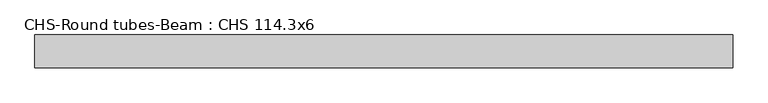
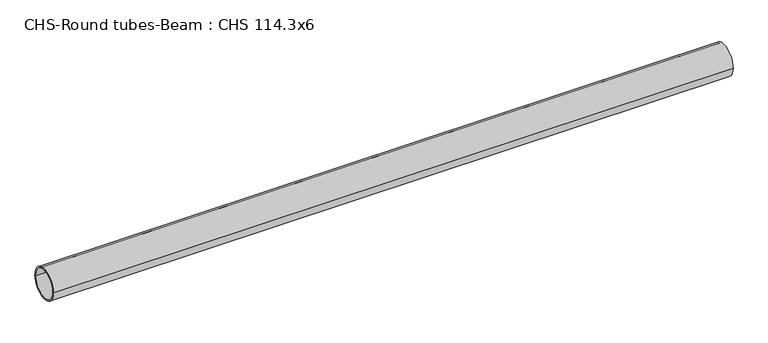
"""IFC4 building model written with IfcOpenShell, lengths in millimetres: beam geometry, CHS-Round tubes-Beam : CHS 114.3x6."""

from ifc_helpers import new_model, si_unit, point, frame, origin, origin_2d, place, context, project, spatial, circle_curve, trimmed, segment, composite_curve, outline, extrude, source, transform, mapped, element, save


def chs_round_tubes_beam_chs_114_3x6_69b16ae2(model_context):
    return source(origin(), model_context, "Body", "SweptSolid", [
        extrude(outline(composite_curve([segment(trimmed(circle_curve(origin_2d(), 57.15), [point((57.15, 0.0))], [point((-57.15, 0.0))], False, "CARTESIAN"), True, "CONTINUOUS"), segment(trimmed(circle_curve(origin_2d(), 57.15), [point((-57.15, 0.0))], [point((57.15, 0.0))], False, "CARTESIAN"), True, "CONTINUOUS")], self_intersect=False), holes=[composite_curve([segment(trimmed(circle_curve(origin_2d(), 51.15), [point((51.15, 0.0))], [point((-51.15, 0.0))], True, "CARTESIAN"), True, "CONTINUOUS"), segment(trimmed(circle_curve(origin_2d(), 51.15), [point((-51.15, 0.0))], [point((51.15, 0.0))], True, "CARTESIAN"), True, "CONTINUOUS")], self_intersect=False)]), frame((-1170.3343349, 0.0, 0.0), z_axis=(1.0, 0.0, 0.0), x_axis=(0.0, 1.0, 0.0)), (0.0, 0.0, 1.0), 2430.5646365),
    ])


if __name__ == "__main__":
    model = new_model("IFC4")
    model_context = context("Model", 3, world=origin())
    ifc_project = project(units=[si_unit("LENGTHUNIT", "METRE", prefix="MILLI")], contexts=[model_context])
    site = spatial("IfcSite", under=ifc_project)
    building = spatial("IfcBuilding", under=site)
    placement = place(None, origin())
    chs_round_tubes_beam_chs_114_3x6_shape = chs_round_tubes_beam_chs_114_3x6_69b16ae2(model_context)
    element("IfcBeam", 1, ObjectType="CHS-Round tubes-Beam : CHS 114.3x6", at=placement, inside=building, context=model_context, shape_type="MappedRepresentation", body=[
        mapped(chs_round_tubes_beam_chs_114_3x6_shape, transform((0.0, 0.0, 0.0), x_axis=(1.0, 0.0, 0.0), y_axis=(0.0, 1.0, 0.0), z_axis=(0.0, 0.0, 1.0))),
    ])
    save(model, "model.ifc")
